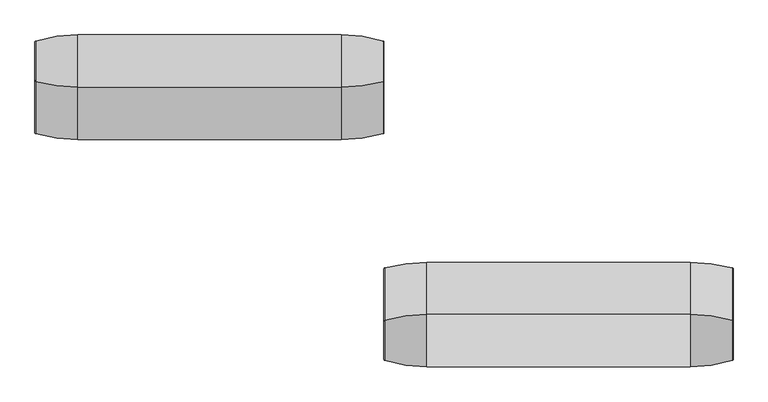
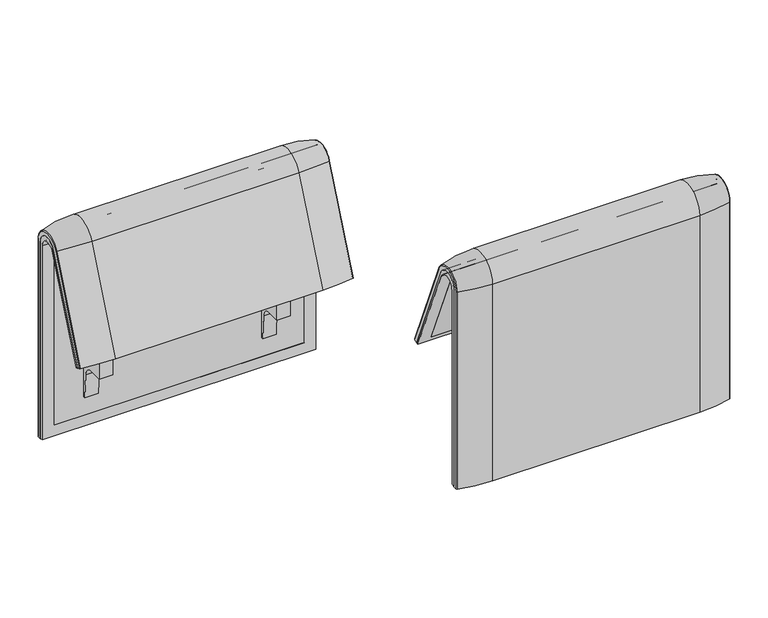
"""IFC4 building model written with IfcOpenShell, lengths in millimetres: furniture geometry."""

from ifc_helpers import new_model, si_unit, point, frame, frame_2d, origin, place, context, project, spatial, polyline, circle_curve, ellipse_curve, trimmed, segment, composite_curve, outline, extrude, source, transform, mapped, element, save
from ifc_brep_helpers import plane_surface, cylinder_surface, revolved_surface, advanced_brep


def furniture_0ea370f8(model_context):
    return source(origin(), model_context, "Body", "SolidModel", [
        advanced_brep(
        [(1224.0215056, -351.0000061, 101.8476716), (1224.0215056, -351.0000061, 712.9272623), (1224.0215056, -296.2720241, 723.9759107), (1224.0215056, -175.0204081, 435.9866665), (1224.0215056, -170.1966807, 437.98305), (1224.0215056, -292.4403877, 733.7122262), (1224.0215056, -359.7858817, 720.3417731), (1224.0215056, -359.7858817, 101.8476716), (408.0402568, -351.0000061, 101.8476716), (408.0402568, -359.7858817, 101.8476716), (408.0402568, -359.7858817, 720.3417731), (408.0402568, -292.4403877, 733.7122262), (408.0402568, -170.1966807, 437.98305), (408.0402568, -175.0204081, 435.9866665), (408.0402568, -296.2458652, 723.9869215), (408.0402568, -351.0000061, 712.9272623), (442.9237127, -292.4403877, 733.7122262), (442.9237127, -176.0980387, 452.25948), (1189.1049615, -176.0980387, 452.25948), (1189.1049615, -292.4403877, 733.7122262), (1189.1049615, -296.2458652, 723.9869215), (1189.1049615, -181.0136548, 450.2250668), (442.9237127, -181.0136548, 450.2250668), (442.9237127, -296.2458652, 723.9869215), (442.9237127, -351.0000061, 712.9272623), (442.9237127, -351.0000061, 135.3766997), (1189.1049615, -351.0000061, 135.3766997), (1189.1049615, -351.0000061, 712.9272623), (1189.1049615, -359.7858817, 720.3417731), (1189.1049615, -359.7858817, 135.3766997), (442.9237127, -359.7858817, 135.3766997), (442.9237127, -359.7858817, 720.3417731)],
        [
            (0, 1),
            (1, 2, circle_curve(frame((1224.0215056, -322.520748, 712.9272623), z_axis=(-1.0, 0.0, 0.0), x_axis=(0.0, 1.0, 0.0)), 28.479258)),
            (2, 3),
            (3, 4),
            (4, 5),
            (5, 6, circle_curve(frame((1224.0215056, -324.7858817, 720.3417731), z_axis=(1.0, 0.0, 0.0), x_axis=(0.0, 1.0, 0.0)), 35.0)),
            (6, 7),
            (7, 0),
            (8, 9),
            (9, 10),
            (10, 11, circle_curve(frame((408.0402568, -324.7858817, 720.3417731), z_axis=(-1.0, 0.0, 0.0), x_axis=(0.0, 1.0, 0.0)), 35.0)),
            (11, 12),
            (12, 13),
            (13, 14),
            (14, 15, circle_curve(frame((408.0402568, -322.520748, 712.9272623), z_axis=(1.0, 0.0, 0.0), x_axis=(0.0, 1.0, 0.0)), 28.479258)),
            (15, 8),
            (4, 12),
            (11, 16),
            (16, 17),
            (17, 18),
            (18, 19),
            (19, 5),
            (3, 13),
            (2, 20),
            (20, 21),
            (21, 22),
            (22, 23),
            (23, 14),
            (0, 8),
            (15, 24),
            (24, 25),
            (25, 26),
            (26, 27),
            (27, 1),
            (7, 9),
            (6, 28),
            (28, 29),
            (29, 30),
            (30, 31),
            (31, 10),
            (19, 28, circle_curve(frame((1189.1049615, -324.7858817, 720.3417731), z_axis=(1.0, 0.0, 0.0), x_axis=(0.0, 1.0, 0.0)), 35.0)),
            (31, 16, circle_curve(frame((442.9237127, -324.7858817, 720.3417731), z_axis=(-1.0, 0.0, 0.0), x_axis=(0.0, 1.0, 0.0)), 35.0)),
            (27, 20, circle_curve(frame((1189.1049615, -322.520748, 712.9272623), z_axis=(-1.0, 0.0, 0.0), x_axis=(0.0, 1.0, 0.0)), 28.479258)),
            (23, 24, circle_curve(frame((442.9237127, -322.520748, 712.9272623), z_axis=(1.0, 0.0, 0.0), x_axis=(0.0, 1.0, 0.0)), 28.479258)),
            (26, 29),
            (18, 21),
            (22, 17),
            (30, 25),
        ],
        [
            plane_surface(frame((1224.0215056, -359.7858817, 101.8476716), z_axis=(1.0, 0.0, 0.0), x_axis=(0.0, -1.0, 0.0))),
            plane_surface(frame((408.0402568, -359.7858817, 101.8476716), z_axis=(-1.0, 0.0, 0.0), x_axis=(0.0, 1.0, 0.0))),
            plane_surface(frame((1224.0215056, -292.4403877, 733.7122262), z_axis=(0.0, 0.9241569717933176, 0.3820129467515535), x_axis=(-1.0, 0.0, 0.0))),
            plane_surface(frame((1224.0215056, -170.1966807, 437.98305), z_axis=(0.0, 0.38241039441983893, -0.9239925812687368), x_axis=(-1.0, 0.0, 0.0))),
            plane_surface(frame((1224.0215056, -175.0204081, 435.9866665), z_axis=(0.0, -0.921678643444566, -0.3879542218073993), x_axis=(-1.0, 0.0, 0.0))),
            plane_surface(frame((1224.0215056, -351.0000061, 712.9272623), z_axis=(0.0, 1.0, 0.0), x_axis=(-1.0, 0.0, 0.0))),
            plane_surface(frame((1224.0215056, -351.0000061, 101.8476716), z_axis=(0.0, 0.0, -1.0), x_axis=(-1.0, 0.0, 0.0))),
            plane_surface(frame((1224.0215056, -359.7858817, 101.8476716), z_axis=(0.0, -1.0, 0.0), x_axis=(-1.0, 0.0, 0.0))),
            cylinder_surface(frame((408.0402568, -324.7858817, 720.3417731), z_axis=(1.0, 0.0, 0.0), x_axis=(0.0, 1.0, 0.0)), 35.0),
            revolved_surface(polyline([(1189.1049615, -294.04149, 712.9272623), (1224.0215056, -294.04149, 712.9272623)]), (408.0402568, -322.520748, 712.9272623), (-1.0, 0.0, 0.0)),
            revolved_surface(polyline([(408.0402568, -294.04149, 712.9272623), (442.9237127, -294.04149, 712.9272623)]), (408.0402568, -322.520748, 712.9272623), (-1.0, 0.0, 0.0)),
            plane_surface(frame((1189.1049615, -359.7858817, 135.3766997), z_axis=(-1.0, 0.0, 0.0), x_axis=(0.0, -1.0, 0.0))),
            plane_surface(frame((442.9237127, -359.7858817, 135.3766997), z_axis=(1.0, 0.0, 0.0), x_axis=(0.0, 1.0, 0.0))),
            plane_surface(frame((1189.1049615, -166.9120641, 456.0612553), z_axis=(0.0, -0.38241039441982605, 0.9239925812687422), x_axis=(-1.0, 0.0, 0.0))),
            plane_surface(frame((1189.1049615, -344.7858817, 135.3766997), z_axis=(0.0, 0.0, 1.0), x_axis=(-1.0, 0.0, 0.0))),
        ],
        [
            (0, [[1, 2, 3, 4, 5, 6, 7, 8]]),
            (1, [[9, 10, 11, 12, 13, 14, 15, 16]]),
            (2, [[17, -12, 18, 19, 20, 21, 22, -5]]),
            (3, [[23, -13, -17, -4]]),
            (4, [[24, 25, 26, 27, 28, -14, -23, -3]]),
            (5, [[29, -16, 30, 31, 32, 33, 34, -1]]),
            (6, [[35, -9, -29, -8]]),
            (7, [[36, 37, 38, 39, 40, -10, -35, -7]]),
            (8, [[-22, 41, -36, -6]]),
            (8, [[-40, 42, -18, -11]]),
            (9, [[-34, 43, -24, -2]]),
            (10, [[-28, 44, -30, -15]]),
            (11, [[-25, -43, -33, 45, -37, -41, -21, 46]]),
            (12, [[-31, -44, -27, 47, -19, -42, -39, 48]]),
            (13, [[-20, -47, -26, -46]]),
            (14, [[-32, -48, -38, -45]]),
        ],
    ),
        advanced_brep(
        [(1189.1049615, -351.0000061, 135.3766997), (1189.1049615, -351.0000061, 712.9272623), (1189.1049615, -296.2720241, 723.9759107), (1189.1049615, -181.0136548, 450.2250668), (1189.1049615, -176.0980387, 452.25948), (1189.1049615, -292.4403877, 733.7122262), (1189.1049615, -359.7858817, 720.3417731), (1189.1049615, -359.7858817, 135.3766997), (442.9237127, -351.0000061, 135.3766997), (442.9237127, -359.7858817, 135.3766997), (442.9237127, -359.7858817, 720.3417731), (442.9237127, -292.4403877, 733.7122262), (442.9237127, -176.0980387, 452.25948), (442.9237127, -181.0136548, 450.2250668), (442.9237127, -296.2458652, 723.9869215), (442.9237127, -351.0000061, 712.9272623)],
        [
            (0, 1),
            (1, 2, circle_curve(frame((1189.1049615, -322.520748, 712.9272623), z_axis=(-1.0, 0.0, 0.0), x_axis=(0.0, 1.0, 0.0)), 28.479258)),
            (2, 3),
            (3, 4),
            (4, 5),
            (5, 6, circle_curve(frame((1189.1049615, -324.7858817, 720.3417731), z_axis=(1.0, 0.0, 0.0), x_axis=(0.0, 1.0, 0.0)), 35.0)),
            (6, 7),
            (7, 0),
            (8, 9),
            (9, 10),
            (10, 11, circle_curve(frame((442.9237127, -324.7858817, 720.3417731), z_axis=(-1.0, 0.0, 0.0), x_axis=(0.0, 1.0, 0.0)), 35.0)),
            (11, 12),
            (12, 13),
            (13, 14),
            (14, 15, circle_curve(frame((442.9237127, -322.520748, 712.9272623), z_axis=(1.0, 0.0, 0.0), x_axis=(0.0, 1.0, 0.0)), 28.479258)),
            (15, 8),
            (4, 12),
            (11, 5),
            (3, 13),
            (2, 14),
            (0, 8),
            (15, 1),
            (7, 9),
            (6, 10),
        ],
        [
            plane_surface(frame((1189.1049615, -359.7858817, 135.3766997), z_axis=(1.0, 0.0, 0.0), x_axis=(0.0, -1.0, 0.0))),
            plane_surface(frame((442.9237127, -359.7858817, 135.3766997), z_axis=(-1.0, 0.0, 0.0), x_axis=(0.0, 1.0, 0.0))),
            plane_surface(frame((1189.1049615, -292.4403877, 733.7122262), z_axis=(0.0, 0.9241569717933176, 0.3820129467515535), x_axis=(-1.0, 0.0, 0.0))),
            plane_surface(frame((1189.1049615, -176.0980387, 452.25948), z_axis=(0.0, 0.38241039441982716, -0.9239925812687417), x_axis=(-1.0, 0.0, 0.0))),
            plane_surface(frame((1189.1049615, -181.0136548, 450.2250668), z_axis=(0.0, -0.921678643444566, -0.3879542218073993), x_axis=(-1.0, 0.0, 0.0))),
            plane_surface(frame((1189.1049615, -351.0000061, 712.9272623), z_axis=(0.0, 1.0, 0.0), x_axis=(-1.0, 0.0, 0.0))),
            plane_surface(frame((1189.1049615, -351.0000061, 135.3766997), z_axis=(0.0, 0.0, -1.0), x_axis=(-1.0, 0.0, 0.0))),
            plane_surface(frame((1189.1049615, -359.7858817, 135.3766997), z_axis=(0.0, -1.0, 0.0), x_axis=(-1.0, 0.0, 0.0))),
            cylinder_surface(frame((442.9237127, -324.7858817, 720.3417731), z_axis=(1.0, 0.0, 0.0), x_axis=(0.0, 1.0, 0.0)), 35.0),
            revolved_surface(polyline([(442.9237127, -294.04149, 712.9272623), (1189.1049615, -294.04149, 712.9272623)]), (442.9237127, -322.520748, 712.9272623), (-1.0, 0.0, 0.0)),
        ],
        [
            (0, [[1, 2, 3, 4, 5, 6, 7, 8]]),
            (1, [[9, 10, 11, 12, 13, 14, 15, 16]]),
            (2, [[17, -12, 18, -5]]),
            (3, [[19, -13, -17, -4]]),
            (4, [[20, -14, -19, -3]]),
            (5, [[21, -16, 22, -1]]),
            (6, [[23, -9, -21, -8]]),
            (7, [[24, -10, -23, -7]]),
            (8, [[-18, -11, -24, -6]]),
            (9, [[-22, -15, -20, -2]]),
        ],
    ),
        extrude(outline(composite_curve([segment(polyline([(-305.0000061, 349.9223263), (-285.0000061, 349.9223263)]), True, "CONTINUOUS"), segment(trimmed(circle_curve(frame_2d((-285.0000061, 359.9223263)), 10.0), [point((-285.0000061, 349.9223263))], [point((-275.0000061, 359.9223263))], True, "CARTESIAN"), True, "CONTINUOUS"), segment(polyline([(-275.0000061, 359.9223263), (-270.0000061, 359.9223263), (-270.0000061, 299.9223263), (-309.4476, 299.9223263)]), True, "CONTINUOUS"), segment(trimmed(circle_curve(frame_2d((-309.4476, 269.9223263)), 30.0), [point((-309.4476, 299.9223263))], [point((-339.4064861, 271.492405))], True, "CARTESIAN"), True, "CONTINUOUS"), segment(polyline([(-339.4064861, 271.492405), (-343.3075759, 197.0551771), (-351.0000061, 197.0551771), (-351.0000061, 712.9272623)]), True, "CONTINUOUS"), segment(trimmed(circle_curve(frame_2d((-322.520748, 712.9272623)), 28.479258), [point((-351.0000061, 712.9272623))], [point((-296.3054528, 724.0549949))], False, "CARTESIAN"), True, "CONTINUOUS"), segment(polyline([(-296.3054528, 724.0549949), (-213.7507451, 529.5682915), (-222.2725218, 526.5505721), (-238.0355877, 560.3545758)]), True, "CONTINUOUS"), segment(trimmed(circle_curve(frame_2d((-251.6302045, 554.0153019)), 15.0), [point((-238.0355877, 560.3545758))], [point((-257.4911714, 567.8228747))], True, "CARTESIAN"), True, "CONTINUOUS"), segment(polyline([(-257.4911714, 567.8228747), (-316.7219399, 542.6809051)]), True, "CONTINUOUS"), segment(trimmed(circle_curve(frame_2d((-305.0000061, 515.0657595)), 30.0), [point((-316.7219399, 542.6809051))], [point((-335.0000061, 515.0657595))], True, "CARTESIAN"), True, "CONTINUOUS"), segment(polyline([(-335.0000061, 515.0657595), (-335.0000061, 379.9223263)]), True, "CONTINUOUS"), segment(trimmed(circle_curve(frame_2d((-305.0000061, 379.9223263)), 30.0), [point((-335.0000061, 379.9223263))], [point((-305.0000061, 349.9223263))], True, "CARTESIAN"), True, "CONTINUOUS")], self_intersect=False), holes=[composite_curve([segment(trimmed(circle_curve(frame_2d((-319.9867182, 576.3274105)), 17.5132879), [point((-337.5000061, 576.3274105))], [point((-314.1406626, 559.8186587))], True, "CARTESIAN"), True, "CONTINUOUS"), segment(polyline([(-314.1406626, 559.8186587), (-265.0756376, 577.1934953)]), True, "CONTINUOUS"), segment(trimmed(circle_curve(frame_2d((-271.7517748, 596.0463251)), 20.0), [point((-265.0756376, 577.1934953))], [point((-253.6256191, 604.4986904))], True, "CARTESIAN"), True, "CONTINUOUS"), segment(polyline([(-253.6256191, 604.4986904), (-308.9053893, 723.0465402)]), True, "CONTINUOUS"), segment(trimmed(circle_curve(frame_2d((-322.5000061, 716.7072663)), 15.0), [point((-308.9053893, 723.0465402))], [point((-337.5000061, 716.7072663))], True, "CARTESIAN"), True, "CONTINUOUS"), segment(polyline([(-337.5000061, 716.7072663), (-337.5000061, 576.3274105)]), True, "CONTINUOUS")], self_intersect=False)]), frame((1061.0091339, 0.0, 0.0), z_axis=(1.0, 0.0, 0.0), x_axis=(0.0, 1.0, 0.0)), (0.0, 0.0, 1.0), 40.0),
        advanced_brep(
        [(1124.0215056, -388.2902376, 100.5089435), (508.0071685, -388.2902376, 100.5089435), (410.1457971, -373.93893, 100.5089435), (408.0071685, -371.0652495, 100.5089435), (408.0071685, -359.7858817, 100.5089435), (1224.0215056, -359.7858817, 100.5089435), (1224.0215056, -371.0652495, 100.5089435), (1221.8828771, -373.93893, 100.5089435), (1124.0215056, -388.2902376, 720.3417731), (508.0071685, -388.2902376, 720.3417731), (1221.8828771, -373.93893, 720.3417731), (1224.0215056, -371.0652495, 720.3417731), (1224.0215056, -359.7858817, 720.3417731), (1224.0215056, -292.4403877, 733.7122262), (1224.0215056, -170.1962447, 437.9819952), (1224.0215056, -159.7723383, 442.2908598), (1224.0215056, -282.0164812, 738.0210907), (408.0071685, -359.7858817, 720.3417731), (1124.0215056, -143.8537454, 448.8710282), (1221.8828771, -157.1166065, 443.3886429), (408.0071685, -170.1962447, 437.9819952), (408.0071685, -159.7723383, 442.2908598), (410.1457971, -157.1166065, 443.3886429), (508.0071685, -143.8537454, 448.8710282), (1124.0215056, -266.0978884, 744.6012592), (508.0071685, -266.0978884, 744.6012592), (1221.8828771, -279.3607494, 739.1188739), (408.0071685, -292.4403877, 733.7122262), (408.0071685, -371.0652495, 720.3417731), (408.0071685, -282.0164812, 738.0210907), (410.1457971, -373.93893, 720.3417731), (410.1457971, -279.3607494, 739.1188739)],
        [
            (0, 1),
            (1, 2, circle_curve(frame((508.0071685, -47.4569043, 100.5089435), z_axis=(0.0, 0.0, -1.0), x_axis=(0.0, 1.0, 0.0)), 340.8333333)),
            (2, 3, circle_curve(frame((411.0071685, -371.0652495, 100.5089435), z_axis=(0.0, 0.0, -1.0), x_axis=(-1.0, 0.0, 0.0)), 3.0)),
            (3, 4),
            (4, 5),
            (5, 6),
            (6, 7, circle_curve(frame((1221.0215056, -371.0652495, 100.5089435), z_axis=(0.0, 0.0, -1.0), x_axis=(1.0, 0.0, 0.0)), 3.0)),
            (7, 0, circle_curve(frame((1124.0215056, -47.4569043, 100.5089435), z_axis=(0.0, 0.0, -1.0), x_axis=(0.0, 1.0, 0.0)), 340.8333333)),
            (0, 8),
            (8, 9),
            (9, 1),
            (7, 10),
            (10, 8, circle_curve(frame((1124.0215056, -47.4569043, 720.3417731), z_axis=(0.0, 0.0, -1.0), x_axis=(0.0, 1.0, 0.0)), 340.8333333)),
            (6, 11),
            (11, 10, circle_curve(frame((1221.0215056, -371.0652495, 720.3417731), z_axis=(0.0, 0.0, -1.0), x_axis=(1.0, 0.0, 0.0)), 3.0)),
            (5, 12),
            (12, 13, circle_curve(frame((1224.0215056, -324.7858817, 720.3417731), z_axis=(-1.0, 0.0, 0.0), x_axis=(0.0, -1.0, 0.0)), 35.0)),
            (13, 14),
            (14, 15),
            (15, 16),
            (16, 11, circle_curve(frame((1224.0215056, -324.7858817, 720.3417731), z_axis=(1.0, 0.0, 0.0), x_axis=(0.0, -1.0, 0.0)), 46.2793679)),
            (4, 17),
            (17, 12),
            (18, 19, circle_curve(frame((1124.0215056, -458.8372467, 318.6682822), z_axis=(0.0, 0.38201294675155345, -0.9241569717933176), x_axis=(0.0, -0.9241569717933176, -0.38201294675155345)), 340.8333333)),
            (19, 15, circle_curve(frame((1221.0215056, -159.7723383, 442.2908598), z_axis=(0.0, 0.38201294675155345, -0.9241569717933176), x_axis=(1.0, 0.0, 0.0)), 3.0)),
            (14, 20),
            (20, 21),
            (21, 22, circle_curve(frame((411.0071685, -159.7723383, 442.2908598), z_axis=(0.0, 0.38201294675155345, -0.9241569717933176), x_axis=(-1.0, 0.0, 0.0)), 3.0)),
            (22, 23, circle_curve(frame((508.0071685, -458.8372467, 318.6682822), z_axis=(0.0, 0.38201294675155345, -0.9241569717933176), x_axis=(0.0, -0.9241569717933176, -0.38201294675155345)), 340.8333333)),
            (23, 18),
            (24, 25),
            (25, 9, circle_curve(frame((508.0071685, -324.7858817, 720.3417731), z_axis=(1.0, 0.0, 0.0), x_axis=(0.0, -1.0, 0.0)), 63.5043559)),
            (8, 24, circle_curve(frame((1124.0215056, -324.7858817, 720.3417731), z_axis=(-1.0, 0.0, 0.0), x_axis=(0.0, -1.0, 0.0)), 63.5043559)),
            (26, 24, circle_curve(frame((1124.0215056, -581.0813896, 614.3985132), z_axis=(0.0, -0.3820129467515544, 0.9241569717933172), x_axis=(0.0, -0.9241569717933172, -0.3820129467515544)), 340.8333333)),
            (10, 26, circle_curve(frame((1221.8828771, -324.7858817, 720.3417731), z_axis=(-1.0, 0.0, 0.0), x_axis=(0.0, -1.0, 0.0)), 49.1530483)),
            (16, 26, circle_curve(frame((1221.0215056, -282.0164812, 738.0210907), z_axis=(0.0, -0.38201294675155356, 0.9241569717933176), x_axis=(1.0, 0.0, 0.0)), 3.0)),
            (27, 13),
            (17, 27, circle_curve(frame((408.0071685, -324.7858817, 720.3417731), z_axis=(-1.0, 0.0, 0.0), x_axis=(0.0, -1.0, 0.0)), 35.0)),
            (24, 18),
            (23, 25),
            (26, 19),
            (27, 20),
            (3, 28),
            (28, 29, circle_curve(frame((408.0071685, -324.7858817, 720.3417731), z_axis=(-1.0, 0.0, 0.0), x_axis=(0.0, -1.0, 0.0)), 46.2793679)),
            (29, 21),
            (2, 30),
            (30, 28, circle_curve(frame((411.0071685, -371.0652495, 720.3417731), z_axis=(0.0, 0.0, -1.0), x_axis=(-1.0, 0.0, 0.0)), 3.0)),
            (9, 30, circle_curve(frame((508.0071685, -47.4569043, 720.3417731), z_axis=(0.0, 0.0, -1.0), x_axis=(0.0, 1.0, 0.0)), 340.8333333)),
            (31, 29, circle_curve(frame((411.0071685, -282.0164812, 738.0210907), z_axis=(0.0, -0.3820129467515556, 0.9241569717933167), x_axis=(-1.0, 0.0, 0.0)), 3.0)),
            (30, 31, circle_curve(frame((410.1457971, -324.7858817, 720.3417731), z_axis=(-1.0, 0.0, 0.0), x_axis=(0.0, -1.0, 0.0)), 49.1530483)),
            (25, 31, circle_curve(frame((508.0071685, -581.0813896, 614.3985132), z_axis=(0.0, -0.382012946751556, 0.9241569717933165), x_axis=(0.0, -0.9241569717933165, -0.382012946751556)), 340.8333333)),
            (31, 22),
        ],
        [
            plane_surface(frame((820.7793603, -359.7858817, 100.5089435), z_axis=(0.0, 0.0, -1.0), x_axis=(1.0, 0.0, 0.0))),
            plane_surface(frame((508.0071685, -388.2902376, 100.5089435), z_axis=(0.0, -1.0, 0.0), x_axis=(0.0, 0.0, 1.0))),
            cylinder_surface(frame((1124.0215056, -47.4569043, 100.5089435), z_axis=(0.0, 0.0, -1.0), x_axis=(0.0, 1.0, 0.0)), 340.8333333),
            cylinder_surface(frame((1221.0215056, -371.0652495, 100.5089435), z_axis=(0.0, 0.0, -1.0), x_axis=(1.0, 0.0, 0.0)), 3.0),
            plane_surface(frame((1224.0215056, -371.0652495, 100.5089435), z_axis=(1.0, 0.0, 0.0), x_axis=(0.0, 0.0, 1.0))),
            plane_surface(frame((1224.0215056, -359.7858817, 100.5089435), z_axis=(0.0, 1.0, 0.0), x_axis=(0.0, 0.0, 1.0))),
            plane_surface(frame((820.7793603, -170.1962447, 437.9819952), z_axis=(0.0, 0.38201294675155345, -0.9241569717933176), x_axis=(1.0, 0.0, 0.0))),
            cylinder_surface(frame((820.7793603, -324.7858817, 720.3417731), z_axis=(1.0, 0.0, 0.0), x_axis=(0.0, -1.0, 0.0)), 63.5043559),
            revolved_surface(trimmed(ellipse_curve(frame((1124.0215056, -47.4569043, 720.3417731), z_axis=(0.0, 0.0, 1.0), x_axis=(0.0, 1.0, 0.0)), 340.8333333, 340.8333333), [point((1124.0215056, -388.2902376, 720.3417731))], [point((1221.8828771, -373.93893, 720.3417731))], True, "CARTESIAN"), (820.7793603, -324.7858817, 720.3417731), (1.0, 0.0, 0.0)),
            revolved_surface(trimmed(ellipse_curve(frame((1221.0215056, -371.0652495, 720.3417731), z_axis=(0.0, 0.0, 1.0), x_axis=(1.0, 0.0, 0.0)), 3.0, 3.0), [point((1221.8828771, -373.93893, 720.3417731))], [point((1224.0215056, -371.0652495, 720.3417731))], True, "CARTESIAN"), (820.7793603, -324.7858817, 720.3417731), (1.0, 0.0, 0.0)),
            revolved_surface(polyline([(1224.0215056, -359.7858817, 720.3417731), (408.0071685, -359.7858817, 720.3417731)]), (820.7793603, -324.7858817, 720.3417731), (1.0, 0.0, 0.0)),
            plane_surface(frame((508.0071685, -266.0978884, 744.6012592), z_axis=(0.0, 0.9241569717933176, 0.38201294675155356), x_axis=(0.0, 0.38201294675155356, -0.9241569717933176))),
            cylinder_surface(frame((1124.0215056, -581.0813896, 614.3985132), z_axis=(0.0, -0.38201294675155345, 0.9241569717933176), x_axis=(0.0, -0.9241569717933176, -0.38201294675155345)), 340.8333333),
            cylinder_surface(frame((1221.0215056, -282.0164812, 738.0210907), z_axis=(0.0, -0.38201294675155345, 0.9241569717933176), x_axis=(1.0, 0.0, 0.0)), 3.0),
            plane_surface(frame((1224.0215056, -292.4403877, 733.7122262), z_axis=(0.0, -0.9241569717933176, -0.38201294675155356), x_axis=(0.0, 0.38201294675155356, -0.9241569717933176))),
            plane_surface(frame((408.0071685, -359.7858817, 100.5089435), z_axis=(-1.0, 0.0, 0.0), x_axis=(0.0, 0.0, 1.0))),
            cylinder_surface(frame((411.0071685, -371.0652495, 100.5089435), z_axis=(0.0, 0.0, -1.0), x_axis=(-1.0, 0.0, 0.0)), 3.0),
            cylinder_surface(frame((508.0071685, -47.4569043, 100.5089435), z_axis=(0.0, 0.0, -1.0), x_axis=(0.0, 1.0, 0.0)), 340.8333333),
            revolved_surface(trimmed(ellipse_curve(frame((411.0071685, -371.0652495, 720.3417731), z_axis=(0.0, 0.0, 1.0), x_axis=(-1.0, 0.0, 0.0)), 3.0, 3.0), [point((408.0071685, -371.0652495, 720.3417731))], [point((410.1457971, -373.93893, 720.3417731))], True, "CARTESIAN"), (820.7793603, -324.7858817, 720.3417731), (1.0, 0.0, 0.0)),
            revolved_surface(trimmed(ellipse_curve(frame((508.0071685, -47.4569043, 720.3417731), z_axis=(0.0, 0.0, 1.0), x_axis=(0.0, 1.0, 0.0)), 340.8333333, 340.8333333), [point((410.1457971, -373.93893, 720.3417731))], [point((508.0071685, -388.2902376, 720.3417731))], True, "CARTESIAN"), (820.7793603, -324.7858817, 720.3417731), (1.0, 0.0, 0.0)),
            cylinder_surface(frame((411.0071685, -282.0164812, 738.0210907), z_axis=(0.0, -0.38201294675155345, 0.9241569717933176), x_axis=(-1.0, 0.0, 0.0)), 3.0),
            cylinder_surface(frame((508.0071685, -581.0813896, 614.3985132), z_axis=(0.0, -0.38201294675155345, 0.9241569717933176), x_axis=(0.0, -0.9241569717933176, -0.38201294675155345)), 340.8333333),
        ],
        [
            (0, [[1, 2, 3, 4, 5, 6, 7, 8]]),
            (1, [[9, 10, 11, -1]]),
            (2, [[12, 13, -9, -8]]),
            (3, [[14, 15, -12, -7]]),
            (4, [[16, 17, 18, 19, 20, 21, -14, -6]]),
            (5, [[22, 23, -16, -5]]),
            (6, [[24, 25, -19, 26, 27, 28, 29, 30]]),
            (7, [[31, 32, -10, 33]]),
            (8, [[34, -33, -13, 35]]),
            (9, [[36, -35, -15, -21]]),
            (10, [[37, -17, -23, 38]]),
            (11, [[39, -30, 40, -31]]),
            (12, [[41, -24, -39, -34]]),
            (13, [[-20, -25, -41, -36]]),
            (14, [[42, -26, -18, -37]]),
            (15, [[43, 44, 45, -27, -42, -38, -22, -4]]),
            (16, [[46, 47, -43, -3]]),
            (17, [[-11, 48, -46, -2]]),
            (18, [[49, -44, -47, 50]]),
            (19, [[51, -50, -48, -32]]),
            (20, [[52, -28, -45, -49]]),
            (21, [[-40, -29, -52, -51]]),
        ],
    ),
        extrude(outline(composite_curve([segment(polyline([(-305.0000061, 349.9223263), (-285.0000061, 349.9223263)]), True, "CONTINUOUS"), segment(trimmed(circle_curve(frame_2d((-285.0000061, 359.9223263)), 10.0), [point((-285.0000061, 349.9223263))], [point((-275.0000061, 359.9223263))], True, "CARTESIAN"), True, "CONTINUOUS"), segment(polyline([(-275.0000061, 359.9223263), (-270.0000061, 359.9223263), (-270.0000061, 299.9223263), (-309.4476, 299.9223263)]), True, "CONTINUOUS"), segment(trimmed(circle_curve(frame_2d((-309.4476, 269.9223263)), 30.0), [point((-309.4476, 299.9223263))], [point((-339.4064861, 271.492405))], True, "CARTESIAN"), True, "CONTINUOUS"), segment(polyline([(-339.4064861, 271.492405), (-343.3075759, 197.0551771), (-351.0000061, 197.0551771), (-351.0000061, 712.9272623)]), True, "CONTINUOUS"), segment(trimmed(circle_curve(frame_2d((-322.520748, 712.9272623)), 28.479258), [point((-351.0000061, 712.9272623))], [point((-296.3054528, 724.0549949))], False, "CARTESIAN"), True, "CONTINUOUS"), segment(polyline([(-296.3054528, 724.0549949), (-213.7507451, 529.5682915), (-222.2725218, 526.5505721), (-238.0355877, 560.3545758)]), True, "CONTINUOUS"), segment(trimmed(circle_curve(frame_2d((-251.6302045, 554.0153019)), 15.0), [point((-238.0355877, 560.3545758))], [point((-257.4911714, 567.8228747))], True, "CARTESIAN"), True, "CONTINUOUS"), segment(polyline([(-257.4911714, 567.8228747), (-316.7219399, 542.6809051)]), True, "CONTINUOUS"), segment(trimmed(circle_curve(frame_2d((-305.0000061, 515.0657595)), 30.0), [point((-316.7219399, 542.6809051))], [point((-335.0000061, 515.0657595))], True, "CARTESIAN"), True, "CONTINUOUS"), segment(polyline([(-335.0000061, 515.0657595), (-335.0000061, 379.9223263)]), True, "CONTINUOUS"), segment(trimmed(circle_curve(frame_2d((-305.0000061, 379.9223263)), 30.0), [point((-335.0000061, 379.9223263))], [point((-305.0000061, 349.9223263))], True, "CARTESIAN"), True, "CONTINUOUS")], self_intersect=False), holes=[composite_curve([segment(trimmed(circle_curve(frame_2d((-319.9867182, 576.3274105)), 17.5132879), [point((-337.5000061, 576.3274105))], [point((-314.1406626, 559.8186587))], True, "CARTESIAN"), True, "CONTINUOUS"), segment(polyline([(-314.1406626, 559.8186587), (-265.0756376, 577.1934953)]), True, "CONTINUOUS"), segment(trimmed(circle_curve(frame_2d((-271.7517748, 596.0463251)), 20.0), [point((-265.0756376, 577.1934953))], [point((-253.6256191, 604.4986904))], True, "CARTESIAN"), True, "CONTINUOUS"), segment(polyline([(-253.6256191, 604.4986904), (-308.9053893, 723.0465402)]), True, "CONTINUOUS"), segment(trimmed(circle_curve(frame_2d((-322.5000061, 716.7072663)), 15.0), [point((-308.9053893, 723.0465402))], [point((-337.5000061, 716.7072663))], True, "CARTESIAN"), True, "CONTINUOUS"), segment(polyline([(-337.5000061, 716.7072663), (-337.5000061, 576.3274105)]), True, "CONTINUOUS")], self_intersect=False)]), frame((531.0195403, 0.0, 0.0), z_axis=(1.0, 0.0, 0.0), x_axis=(0.0, 1.0, 0.0)), (0.0, 0.0, 1.0), 40.0),
        advanced_brep(
        [(408.0071685, 351.0000061, 101.8476716), (408.0071685, 359.7858817, 101.8476716), (408.0071685, 359.7858817, 720.3417731), (408.0071685, 292.4403877, 733.7122262), (408.0071685, 170.1966807, 437.98305), (408.0071685, 175.0204081, 435.9866665), (408.0071685, 296.2458652, 723.9869215), (408.0071685, 351.0000061, 712.9272623), (-407.9740803, 351.0000061, 101.8476716), (-407.9740803, 351.0000061, 712.9272623), (-407.9740803, 296.2720241, 723.9759107), (-407.9740803, 175.0204081, 435.9866665), (-407.9740803, 170.1966807, 437.98305), (-407.9740803, 292.4403877, 733.7122262), (-407.9740803, 359.7858817, 720.3417731), (-407.9740803, 359.7858817, 101.8476716), (373.0906244, 292.4403877, 733.7122262), (373.0906244, 176.0980387, 452.25948), (-373.0906244, 176.0980387, 452.25948), (-373.0906244, 292.4403877, 733.7122262), (-373.0906244, 296.2458652, 723.9869215), (-373.0906244, 181.0136548, 450.2250668), (373.0906244, 181.0136548, 450.2250668), (373.0906244, 296.2458652, 723.9869215), (373.0906244, 351.0000061, 712.9272623), (373.0906244, 351.0000061, 135.3766997), (-373.0906244, 351.0000061, 135.3766997), (-373.0906244, 351.0000061, 712.9272623), (-373.0906244, 359.7858817, 720.3417731), (-373.0906244, 359.7858817, 135.3766997), (373.0906244, 359.7858817, 135.3766997), (373.0906244, 359.7858817, 720.3417731)],
        [
            (0, 1),
            (1, 2),
            (2, 3, circle_curve(frame((408.0071685, 324.7858817, 720.3417731), z_axis=(1.0, 0.0, 0.0), x_axis=(0.0, -1.0, 0.0)), 35.0)),
            (3, 4),
            (4, 5),
            (5, 6),
            (6, 7, circle_curve(frame((408.0071685, 322.520748, 712.9272623), z_axis=(-1.0, 0.0, 0.0), x_axis=(0.0, -1.0, 0.0)), 28.479258)),
            (7, 0),
            (8, 9),
            (9, 10, circle_curve(frame((-407.9740803, 322.520748, 712.9272623), z_axis=(1.0, 0.0, 0.0), x_axis=(0.0, -1.0, 0.0)), 28.479258)),
            (10, 11),
            (11, 12),
            (12, 13),
            (13, 14, circle_curve(frame((-407.9740803, 324.7858817, 720.3417731), z_axis=(-1.0, 0.0, 0.0), x_axis=(0.0, -1.0, 0.0)), 35.0)),
            (14, 15),
            (15, 8),
            (3, 16),
            (16, 17),
            (17, 18),
            (18, 19),
            (19, 13),
            (12, 4),
            (11, 5),
            (10, 20),
            (20, 21),
            (21, 22),
            (22, 23),
            (23, 6),
            (7, 24),
            (24, 25),
            (25, 26),
            (26, 27),
            (27, 9),
            (8, 0),
            (15, 1),
            (14, 28),
            (28, 29),
            (29, 30),
            (30, 31),
            (31, 2),
            (31, 16, circle_curve(frame((373.0906244, 324.7858817, 720.3417731), z_axis=(1.0, 0.0, 0.0), x_axis=(0.0, -1.0, 0.0)), 35.0)),
            (19, 28, circle_curve(frame((-373.0906244, 324.7858817, 720.3417731), z_axis=(-1.0, 0.0, 0.0), x_axis=(0.0, -1.0, 0.0)), 35.0)),
            (23, 24, circle_curve(frame((373.0906244, 322.520748, 712.9272623), z_axis=(-1.0, 0.0, 0.0), x_axis=(0.0, -1.0, 0.0)), 28.479258)),
            (27, 20, circle_curve(frame((-373.0906244, 322.520748, 712.9272623), z_axis=(1.0, 0.0, 0.0), x_axis=(0.0, -1.0, 0.0)), 28.479258)),
            (22, 17),
            (30, 25),
            (26, 29),
            (18, 21),
        ],
        [
            plane_surface(frame((408.0071685, 359.7858817, 101.8476716), z_axis=(1.0, 0.0, 0.0), x_axis=(0.0, 1.0, 0.0))),
            plane_surface(frame((-407.9740803, 359.7858817, 101.8476716), z_axis=(-1.0, 0.0, 0.0), x_axis=(0.0, -1.0, 0.0))),
            plane_surface(frame((408.0071685, 292.4403877, 733.7122262), z_axis=(0.0, -0.9241569717933176, 0.3820129467515535), x_axis=(-1.0, 0.0, 0.0))),
            plane_surface(frame((408.0071685, 170.1966807, 437.98305), z_axis=(0.0, -0.38241039441983893, -0.9239925812687368), x_axis=(-1.0, 0.0, 0.0))),
            plane_surface(frame((408.0071685, 175.0204081, 435.9866665), z_axis=(0.0, 0.921678643444566, -0.3879542218073993), x_axis=(-1.0, 0.0, 0.0))),
            plane_surface(frame((408.0071685, 351.0000061, 712.9272623), z_axis=(0.0, -1.0, 0.0), x_axis=(-1.0, 0.0, 0.0))),
            plane_surface(frame((408.0071685, 351.0000061, 101.8476716), z_axis=(0.0, 0.0, -1.0), x_axis=(-1.0, 0.0, 0.0))),
            plane_surface(frame((408.0071685, 359.7858817, 101.8476716), z_axis=(0.0, 1.0, 0.0), x_axis=(-1.0, 0.0, 0.0))),
            cylinder_surface(frame((-407.9740803, 324.7858817, 720.3417731), z_axis=(1.0, 0.0, 0.0), x_axis=(0.0, -1.0, 0.0)), 35.0),
            revolved_surface(polyline([(373.09062439999997, 294.04149, 712.9272623), (408.0071685, 294.04149, 712.9272623)]), (-407.9740803, 322.520748, 712.9272623), (-1.0, 0.0, 0.0)),
            revolved_surface(polyline([(-407.9740803, 294.04149, 712.9272623), (-373.0906244, 294.04149, 712.9272623)]), (-407.9740803, 322.520748, 712.9272623), (-1.0, 0.0, 0.0)),
            plane_surface(frame((373.0906244, 359.7858817, 135.3766997), z_axis=(-1.0, 0.0, 0.0), x_axis=(0.0, 1.0, 0.0))),
            plane_surface(frame((-373.0906244, 359.7858817, 135.3766997), z_axis=(1.0, 0.0, 0.0), x_axis=(0.0, -1.0, 0.0))),
            plane_surface(frame((373.0906244, 166.9120641, 456.0612553), z_axis=(0.0, 0.38241039441982605, 0.9239925812687422), x_axis=(-1.0, 0.0, 0.0))),
            plane_surface(frame((373.0906244, 344.7858817, 135.3766997), z_axis=(0.0, 0.0, 1.0), x_axis=(-1.0, 0.0, 0.0))),
        ],
        [
            (0, [[1, 2, 3, 4, 5, 6, 7, 8]]),
            (1, [[9, 10, 11, 12, 13, 14, 15, 16]]),
            (2, [[-4, 17, 18, 19, 20, 21, -13, 22]]),
            (3, [[-5, -22, -12, 23]]),
            (4, [[-6, -23, -11, 24, 25, 26, 27, 28]]),
            (5, [[-8, 29, 30, 31, 32, 33, -9, 34]]),
            (6, [[-1, -34, -16, 35]]),
            (7, [[-2, -35, -15, 36, 37, 38, 39, 40]]),
            (8, [[-3, -40, 41, -17]]),
            (8, [[-14, -21, 42, -36]]),
            (9, [[-7, -28, 43, -29]]),
            (10, [[-10, -33, 44, -24]]),
            (11, [[45, -18, -41, -39, 46, -30, -43, -27]]),
            (12, [[47, -37, -42, -20, 48, -25, -44, -32]]),
            (13, [[-45, -26, -48, -19]]),
            (14, [[-46, -38, -47, -31]]),
        ],
    ),
        advanced_brep(
        [(373.0906244, 351.0000061, 135.3766997), (373.0906244, 359.7858817, 135.3766997), (373.0906244, 359.7858817, 720.3417731), (373.0906244, 292.4403877, 733.7122262), (373.0906244, 176.0980387, 452.25948), (373.0906244, 181.0136548, 450.2250668), (373.0906244, 296.2458652, 723.9869215), (373.0906244, 351.0000061, 712.9272623), (-373.0906244, 351.0000061, 135.3766997), (-373.0906244, 351.0000061, 712.9272623), (-373.0906244, 296.2720241, 723.9759107), (-373.0906244, 181.0136548, 450.2250668), (-373.0906244, 176.0980387, 452.25948), (-373.0906244, 292.4403877, 733.7122262), (-373.0906244, 359.7858817, 720.3417731), (-373.0906244, 359.7858817, 135.3766997)],
        [
            (0, 1),
            (1, 2),
            (2, 3, circle_curve(frame((373.0906244, 324.7858817, 720.3417731), z_axis=(1.0, 0.0, 0.0), x_axis=(0.0, -1.0, 0.0)), 35.0)),
            (3, 4),
            (4, 5),
            (5, 6),
            (6, 7, circle_curve(frame((373.0906244, 322.520748, 712.9272623), z_axis=(-1.0, 0.0, 0.0), x_axis=(0.0, -1.0, 0.0)), 28.479258)),
            (7, 0),
            (8, 9),
            (9, 10, circle_curve(frame((-373.0906244, 322.520748, 712.9272623), z_axis=(1.0, 0.0, 0.0), x_axis=(0.0, -1.0, 0.0)), 28.479258)),
            (10, 11),
            (11, 12),
            (12, 13),
            (13, 14, circle_curve(frame((-373.0906244, 324.7858817, 720.3417731), z_axis=(-1.0, 0.0, 0.0), x_axis=(0.0, -1.0, 0.0)), 35.0)),
            (14, 15),
            (15, 8),
            (3, 13),
            (12, 4),
            (11, 5),
            (10, 6),
            (7, 9),
            (8, 0),
            (15, 1),
            (14, 2),
        ],
        [
            plane_surface(frame((373.0906244, 359.7858817, 135.3766997), z_axis=(1.0, 0.0, 0.0), x_axis=(0.0, 1.0, 0.0))),
            plane_surface(frame((-373.0906244, 359.7858817, 135.3766997), z_axis=(-1.0, 0.0, 0.0), x_axis=(0.0, -1.0, 0.0))),
            plane_surface(frame((373.0906244, 292.4403877, 733.7122262), z_axis=(0.0, -0.9241569717933176, 0.3820129467515535), x_axis=(-1.0, 0.0, 0.0))),
            plane_surface(frame((373.0906244, 176.0980387, 452.25948), z_axis=(0.0, -0.38241039441982716, -0.9239925812687417), x_axis=(-1.0, 0.0, 0.0))),
            plane_surface(frame((373.0906244, 181.0136548, 450.2250668), z_axis=(0.0, 0.921678643444566, -0.3879542218073993), x_axis=(-1.0, 0.0, 0.0))),
            plane_surface(frame((373.0906244, 351.0000061, 712.9272623), z_axis=(0.0, -1.0, 0.0), x_axis=(-1.0, 0.0, 0.0))),
            plane_surface(frame((373.0906244, 351.0000061, 135.3766997), z_axis=(0.0, 0.0, -1.0), x_axis=(-1.0, 0.0, 0.0))),
            plane_surface(frame((373.0906244, 359.7858817, 135.3766997), z_axis=(0.0, 1.0, 0.0), x_axis=(-1.0, 0.0, 0.0))),
            cylinder_surface(frame((-373.0906244, 324.7858817, 720.3417731), z_axis=(1.0, 0.0, 0.0), x_axis=(0.0, -1.0, 0.0)), 35.0),
            revolved_surface(polyline([(-373.0906244, 294.04149, 712.9272623), (373.0906244, 294.04149, 712.9272623)]), (-373.0906244, 322.520748, 712.9272623), (-1.0, 0.0, 0.0)),
        ],
        [
            (0, [[1, 2, 3, 4, 5, 6, 7, 8]]),
            (1, [[9, 10, 11, 12, 13, 14, 15, 16]]),
            (2, [[-4, 17, -13, 18]]),
            (3, [[-5, -18, -12, 19]]),
            (4, [[-6, -19, -11, 20]]),
            (5, [[-8, 21, -9, 22]]),
            (6, [[-1, -22, -16, 23]]),
            (7, [[-2, -23, -15, 24]]),
            (8, [[-3, -24, -14, -17]]),
            (9, [[-7, -20, -10, -21]]),
        ],
    ),
        extrude(outline(composite_curve([segment(trimmed(circle_curve(frame_2d((305.0000061, 379.9223263)), 30.0), [point((305.0000061, 349.9223263))], [point((335.0000061, 379.9223263))], True, "CARTESIAN"), True, "CONTINUOUS"), segment(polyline([(335.0000061, 379.9223263), (335.0000061, 515.0657595)]), True, "CONTINUOUS"), segment(trimmed(circle_curve(frame_2d((305.0000061, 515.0657595)), 30.0), [point((335.0000061, 515.0657595))], [point((316.7219399, 542.6809051))], True, "CARTESIAN"), True, "CONTINUOUS"), segment(polyline([(316.7219399, 542.6809051), (257.4911714, 567.8228747)]), True, "CONTINUOUS"), segment(trimmed(circle_curve(frame_2d((251.6302045, 554.0153019)), 15.0), [point((257.4911714, 567.8228747))], [point((238.0355877, 560.3545758))], True, "CARTESIAN"), True, "CONTINUOUS"), segment(polyline([(238.0355877, 560.3545758), (222.2725218, 526.5505721), (213.7507451, 529.5682915), (296.3054528, 724.0549949)]), True, "CONTINUOUS"), segment(trimmed(circle_curve(frame_2d((322.520748, 712.9272623)), 28.479258), [point((296.3054528, 724.0549949))], [point((351.0000061, 712.9272623))], False, "CARTESIAN"), True, "CONTINUOUS"), segment(polyline([(351.0000061, 712.9272623), (351.0000061, 197.0551771), (343.3075759, 197.0551771), (339.4064861, 271.492405)]), True, "CONTINUOUS"), segment(trimmed(circle_curve(frame_2d((309.4476, 269.9223263)), 30.0), [point((339.4064861, 271.492405))], [point((309.4476, 299.9223263))], True, "CARTESIAN"), True, "CONTINUOUS"), segment(polyline([(309.4476, 299.9223263), (270.0000061, 299.9223263), (270.0000061, 359.9223263), (275.0000061, 359.9223263)]), True, "CONTINUOUS"), segment(trimmed(circle_curve(frame_2d((285.0000061, 359.9223263)), 10.0), [point((275.0000061, 359.9223263))], [point((285.0000061, 349.9223263))], True, "CARTESIAN"), True, "CONTINUOUS"), segment(polyline([(285.0000061, 349.9223263), (305.0000061, 349.9223263)]), True, "CONTINUOUS")], self_intersect=False), holes=[composite_curve([segment(polyline([(337.5000061, 576.3274105), (337.5000061, 716.7072663)]), True, "CONTINUOUS"), segment(trimmed(circle_curve(frame_2d((322.5000061, 716.7072663)), 15.0), [point((337.5000061, 716.7072663))], [point((308.9053893, 723.0465402))], True, "CARTESIAN"), True, "CONTINUOUS"), segment(polyline([(308.9053893, 723.0465402), (253.6256191, 604.4986904)]), True, "CONTINUOUS"), segment(trimmed(circle_curve(frame_2d((271.7517748, 596.0463251)), 20.0), [point((253.6256191, 604.4986904))], [point((265.0756376, 577.1934953))], True, "CARTESIAN"), True, "CONTINUOUS"), segment(polyline([(265.0756376, 577.1934953), (314.1406626, 559.8186587)]), True, "CONTINUOUS"), segment(trimmed(circle_curve(frame_2d((319.9867182, 576.3274105)), 17.5132879), [point((314.1406626, 559.8186587))], [point((337.5000061, 576.3274105))], True, "CARTESIAN"), True, "CONTINUOUS")], self_intersect=False)]), frame((244.9947968, 0.0, 0.0), z_axis=(1.0, 0.0, 0.0), x_axis=(0.0, 1.0, 0.0)), (0.0, 0.0, 1.0), 40.0),
        advanced_brep(
        [(308.0071685, 388.2902376, 100.5089435), (405.86854, 373.93893, 100.5089435), (408.0071685, 371.0652495, 100.5089435), (408.0071685, 359.7858817, 100.5089435), (-408.0071685, 359.7858817, 100.5089435), (-408.0071685, 371.0652495, 100.5089435), (-405.86854, 373.93893, 100.5089435), (-308.0071685, 388.2902376, 100.5089435), (-308.0071685, 388.2902376, 720.3417731), (308.0071685, 388.2902376, 720.3417731), (405.86854, 373.93893, 720.3417731), (408.0071685, 371.0652495, 720.3417731), (408.0071685, 282.0164812, 738.0210907), (408.0071685, 159.7723383, 442.2908598), (408.0071685, 170.1962447, 437.9819952), (408.0071685, 292.4403877, 733.7122262), (408.0071685, 359.7858817, 720.3417731), (-408.0071685, 359.7858817, 720.3417731), (308.0071685, 143.8537454, 448.8710282), (-308.0071685, 143.8537454, 448.8710282), (-405.86854, 157.1166065, 443.3886429), (-408.0071685, 159.7723383, 442.2908598), (-408.0071685, 170.1962447, 437.9819952), (405.86854, 157.1166065, 443.3886429), (308.0071685, 266.0978884, 744.6012592), (-308.0071685, 266.0978884, 744.6012592), (405.86854, 279.3607494, 739.1188739), (-408.0071685, 292.4403877, 733.7122262), (-408.0071685, 282.0164812, 738.0210907), (-408.0071685, 371.0652495, 720.3417731), (-405.86854, 373.93893, 720.3417731), (-405.86854, 279.3607494, 739.1188739)],
        [
            (0, 1, circle_curve(frame((308.0071685, 47.4569043, 100.5089435), z_axis=(0.0, 0.0, -1.0), x_axis=(0.0, -1.0, 0.0)), 340.8333333)),
            (1, 2, circle_curve(frame((405.0071685, 371.0652495, 100.5089435), z_axis=(0.0, 0.0, -1.0), x_axis=(1.0, 0.0, 0.0)), 3.0)),
            (2, 3),
            (3, 4),
            (4, 5),
            (5, 6, circle_curve(frame((-405.0071685, 371.0652495, 100.5089435), z_axis=(0.0, 0.0, -1.0), x_axis=(-1.0, 0.0, 0.0)), 3.0)),
            (6, 7, circle_curve(frame((-308.0071685, 47.4569043, 100.5089435), z_axis=(0.0, 0.0, -1.0), x_axis=(0.0, -1.0, 0.0)), 340.8333333)),
            (7, 0),
            (7, 8),
            (8, 9),
            (9, 0),
            (9, 10, circle_curve(frame((308.0071685, 47.4569043, 720.3417731), z_axis=(0.0, 0.0, -1.0), x_axis=(0.0, -1.0, 0.0)), 340.8333333)),
            (10, 1),
            (10, 11, circle_curve(frame((405.0071685, 371.0652495, 720.3417731), z_axis=(0.0, 0.0, -1.0), x_axis=(1.0, 0.0, 0.0)), 3.0)),
            (11, 2),
            (11, 12, circle_curve(frame((408.0071685, 324.7858817, 720.3417731), z_axis=(1.0, 0.0, 0.0), x_axis=(0.0, 1.0, 0.0)), 46.2793679)),
            (12, 13),
            (13, 14),
            (14, 15),
            (15, 16, circle_curve(frame((408.0071685, 324.7858817, 720.3417731), z_axis=(-1.0, 0.0, 0.0), x_axis=(0.0, 1.0, 0.0)), 35.0)),
            (16, 3),
            (16, 17),
            (17, 4),
            (18, 19),
            (19, 20, circle_curve(frame((-308.0071685, 458.8372467, 318.6682822), z_axis=(0.0, -0.38201294675155345, -0.9241569717933176), x_axis=(0.0, 0.9241569717933176, -0.38201294675155345)), 340.8333333)),
            (20, 21, circle_curve(frame((-405.0071685, 159.7723383, 442.2908598), z_axis=(0.0, -0.38201294675155345, -0.9241569717933176), x_axis=(-1.0, 0.0, 0.0)), 3.0)),
            (21, 22),
            (22, 14),
            (13, 23, circle_curve(frame((405.0071685, 159.7723383, 442.2908598), z_axis=(0.0, -0.38201294675155345, -0.9241569717933176), x_axis=(1.0, 0.0, 0.0)), 3.0)),
            (23, 18, circle_curve(frame((308.0071685, 458.8372467, 318.6682822), z_axis=(0.0, -0.38201294675155345, -0.9241569717933176), x_axis=(0.0, 0.9241569717933176, -0.38201294675155345)), 340.8333333)),
            (24, 9, circle_curve(frame((308.0071685, 324.7858817, 720.3417731), z_axis=(-1.0, 0.0, 0.0), x_axis=(0.0, 1.0, 0.0)), 63.5043559)),
            (8, 25, circle_curve(frame((-308.0071685, 324.7858817, 720.3417731), z_axis=(1.0, 0.0, 0.0), x_axis=(0.0, 1.0, 0.0)), 63.5043559)),
            (25, 24),
            (26, 10, circle_curve(frame((405.86854, 324.7858817, 720.3417731), z_axis=(-1.0, 0.0, 0.0), x_axis=(0.0, 1.0, 0.0)), 49.1530483)),
            (24, 26, circle_curve(frame((308.0071685, 581.0813896, 614.3985132), z_axis=(0.0, 0.382012946751556, 0.9241569717933165), x_axis=(0.0, 0.9241569717933165, -0.382012946751556)), 340.8333333)),
            (26, 12, circle_curve(frame((405.0071685, 282.0164812, 738.0210907), z_axis=(0.0, 0.3820129467515552, 0.9241569717933168), x_axis=(1.0, 0.0, 0.0)), 3.0)),
            (27, 17, circle_curve(frame((-408.0071685, 324.7858817, 720.3417731), z_axis=(-1.0, 0.0, 0.0), x_axis=(0.0, 1.0, 0.0)), 35.0)),
            (15, 27),
            (25, 19),
            (18, 24),
            (23, 26),
            (22, 27),
            (21, 28),
            (28, 29, circle_curve(frame((-408.0071685, 324.7858817, 720.3417731), z_axis=(-1.0, 0.0, 0.0), x_axis=(0.0, 1.0, 0.0)), 46.2793679)),
            (29, 5),
            (29, 30, circle_curve(frame((-405.0071685, 371.0652495, 720.3417731), z_axis=(0.0, 0.0, -1.0), x_axis=(-1.0, 0.0, 0.0)), 3.0)),
            (30, 6),
            (30, 8, circle_curve(frame((-308.0071685, 47.4569043, 720.3417731), z_axis=(0.0, 0.0, -1.0), x_axis=(0.0, -1.0, 0.0)), 340.8333333)),
            (31, 30, circle_curve(frame((-405.86854, 324.7858817, 720.3417731), z_axis=(-1.0, 0.0, 0.0), x_axis=(0.0, 1.0, 0.0)), 49.1530483)),
            (28, 31, circle_curve(frame((-405.0071685, 282.0164812, 738.0210907), z_axis=(0.0, 0.3820129467515544, 0.9241569717933172), x_axis=(-1.0, 0.0, 0.0)), 3.0)),
            (31, 25, circle_curve(frame((-308.0071685, 581.0813896, 614.3985132), z_axis=(0.0, 0.3820129467515532, 0.9241569717933177), x_axis=(0.0, 0.9241569717933177, -0.3820129467515532)), 340.8333333)),
            (20, 31),
        ],
        [
            plane_surface(frame((4.7650232, 359.7858817, 100.5089435), z_axis=(0.0, 0.0, -1.0), x_axis=(1.0, 0.0, 0.0))),
            plane_surface(frame((-308.0071685, 388.2902376, 100.5089435), z_axis=(0.0, 1.0, 0.0), x_axis=(0.0, 0.0, 1.0))),
            cylinder_surface(frame((308.0071685, 47.4569043, 100.5089435), z_axis=(0.0, 0.0, -1.0), x_axis=(0.0, -1.0, 0.0)), 340.8333333),
            cylinder_surface(frame((405.0071685, 371.0652495, 100.5089435), z_axis=(0.0, 0.0, -1.0), x_axis=(1.0, 0.0, 0.0)), 3.0),
            plane_surface(frame((408.0071685, 371.0652495, 100.5089435), z_axis=(1.0, 0.0, 0.0), x_axis=(0.0, 0.0, 1.0))),
            plane_surface(frame((408.0071685, 359.7858817, 100.5089435), z_axis=(0.0, -1.0, 0.0), x_axis=(0.0, 0.0, 1.0))),
            plane_surface(frame((4.7650232, 170.1962447, 437.9819952), z_axis=(0.0, -0.38201294675155345, -0.9241569717933176), x_axis=(1.0, 0.0, 0.0))),
            cylinder_surface(frame((4.7650232, 324.7858817, 720.3417731), z_axis=(1.0, 0.0, 0.0), x_axis=(0.0, 1.0, 0.0)), 63.5043559),
            revolved_surface(trimmed(ellipse_curve(frame((308.0071685, 47.4569043, 720.3417731), z_axis=(0.0, 0.0, -1.0), x_axis=(0.0, -1.0, 0.0)), 340.8333333, 340.8333333), [point((308.0071685, 388.2902376, 720.3417731))], [point((405.86854, 373.93893, 720.3417731))], True, "CARTESIAN"), (4.7650232, 324.7858817, 720.3417731), (1.0, 0.0, 0.0)),
            revolved_surface(trimmed(ellipse_curve(frame((405.0071685, 371.0652495, 720.3417731), z_axis=(0.0, 0.0, -1.0), x_axis=(1.0, 0.0, 0.0)), 3.0, 3.0), [point((405.86854, 373.93893, 720.3417731))], [point((408.0071685, 371.0652495, 720.3417731))], True, "CARTESIAN"), (4.7650232, 324.7858817, 720.3417731), (1.0, 0.0, 0.0)),
            revolved_surface(polyline([(408.0071685, 359.7858817, 720.3417731), (-408.0071685, 359.7858817, 720.3417731)]), (4.7650232, 324.7858817, 720.3417731), (1.0, 0.0, 0.0)),
            plane_surface(frame((-308.0071685, 266.0978884, 744.6012592), z_axis=(0.0, -0.9241569717933176, 0.38201294675155356), x_axis=(0.0, -0.38201294675155356, -0.9241569717933176))),
            cylinder_surface(frame((308.0071685, 581.0813896, 614.3985132), z_axis=(0.0, 0.38201294675155345, 0.9241569717933176), x_axis=(0.0, 0.9241569717933176, -0.38201294675155345)), 340.8333333),
            cylinder_surface(frame((405.0071685, 282.0164812, 738.0210907), z_axis=(0.0, 0.38201294675155345, 0.9241569717933176), x_axis=(1.0, 0.0, 0.0)), 3.0),
            plane_surface(frame((408.0071685, 292.4403877, 733.7122262), z_axis=(0.0, 0.9241569717933176, -0.38201294675155356), x_axis=(0.0, -0.38201294675155356, -0.9241569717933176))),
            plane_surface(frame((-408.0071685, 359.7858817, 100.5089435), z_axis=(-1.0, 0.0, 0.0), x_axis=(0.0, 0.0, 1.0))),
            cylinder_surface(frame((-405.0071685, 371.0652495, 100.5089435), z_axis=(0.0, 0.0, -1.0), x_axis=(-1.0, 0.0, 0.0)), 3.0),
            cylinder_surface(frame((-308.0071685, 47.4569043, 100.5089435), z_axis=(0.0, 0.0, -1.0), x_axis=(0.0, -1.0, 0.0)), 340.8333333),
            revolved_surface(trimmed(ellipse_curve(frame((-405.0071685, 371.0652495, 720.3417731), z_axis=(0.0, 0.0, -1.0), x_axis=(-1.0, 0.0, 0.0)), 3.0, 3.0), [point((-408.0071685, 371.0652495, 720.3417731))], [point((-405.86854, 373.93893, 720.3417731))], True, "CARTESIAN"), (4.7650232, 324.7858817, 720.3417731), (1.0, 0.0, 0.0)),
            revolved_surface(trimmed(ellipse_curve(frame((-308.0071685, 47.4569043, 720.3417731), z_axis=(0.0, 0.0, -1.0), x_axis=(0.0, -1.0, 0.0)), 340.8333333, 340.8333333), [point((-405.86854, 373.93893, 720.3417731))], [point((-308.0071685, 388.2902376, 720.3417731))], True, "CARTESIAN"), (4.7650232, 324.7858817, 720.3417731), (1.0, 0.0, 0.0)),
            cylinder_surface(frame((-405.0071685, 282.0164812, 738.0210907), z_axis=(0.0, 0.38201294675155345, 0.9241569717933176), x_axis=(-1.0, 0.0, 0.0)), 3.0),
            cylinder_surface(frame((-308.0071685, 581.0813896, 614.3985132), z_axis=(0.0, 0.38201294675155345, 0.9241569717933176), x_axis=(0.0, 0.9241569717933176, -0.38201294675155345)), 340.8333333),
        ],
        [
            (0, [[1, 2, 3, 4, 5, 6, 7, 8]]),
            (1, [[-8, 9, 10, 11]]),
            (2, [[-1, -11, 12, 13]]),
            (3, [[-2, -13, 14, 15]]),
            (4, [[-3, -15, 16, 17, 18, 19, 20, 21]]),
            (5, [[-4, -21, 22, 23]]),
            (6, [[24, 25, 26, 27, 28, -18, 29, 30]]),
            (7, [[31, -10, 32, 33]]),
            (8, [[34, -12, -31, 35]]),
            (9, [[-16, -14, -34, 36]]),
            (10, [[37, -22, -20, 38]]),
            (11, [[-33, 39, -24, 40]]),
            (12, [[-35, -40, -30, 41]]),
            (13, [[-36, -41, -29, -17]]),
            (14, [[-38, -19, -28, 42]]),
            (15, [[-5, -23, -37, -42, -27, 43, 44, 45]]),
            (16, [[-6, -45, 46, 47]]),
            (17, [[-7, -47, 48, -9]]),
            (18, [[49, -46, -44, 50]]),
            (19, [[-32, -48, -49, 51]]),
            (20, [[-50, -43, -26, 52]]),
            (21, [[-51, -52, -25, -39]]),
        ],
    ),
        extrude(outline(composite_curve([segment(trimmed(circle_curve(frame_2d((305.0000061, 379.9223263)), 30.0), [point((305.0000061, 349.9223263))], [point((335.0000061, 379.9223263))], True, "CARTESIAN"), True, "CONTINUOUS"), segment(polyline([(335.0000061, 379.9223263), (335.0000061, 515.0657595)]), True, "CONTINUOUS"), segment(trimmed(circle_curve(frame_2d((305.0000061, 515.0657595)), 30.0), [point((335.0000061, 515.0657595))], [point((316.7219399, 542.6809051))], True, "CARTESIAN"), True, "CONTINUOUS"), segment(polyline([(316.7219399, 542.6809051), (257.4911714, 567.8228747)]), True, "CONTINUOUS"), segment(trimmed(circle_curve(frame_2d((251.6302045, 554.0153019)), 15.0), [point((257.4911714, 567.8228747))], [point((238.0355877, 560.3545758))], True, "CARTESIAN"), True, "CONTINUOUS"), segment(polyline([(238.0355877, 560.3545758), (222.2725218, 526.5505721), (213.7507451, 529.5682915), (296.3054528, 724.0549949)]), True, "CONTINUOUS"), segment(trimmed(circle_curve(frame_2d((322.520748, 712.9272623)), 28.479258), [point((296.3054528, 724.0549949))], [point((351.0000061, 712.9272623))], False, "CARTESIAN"), True, "CONTINUOUS"), segment(polyline([(351.0000061, 712.9272623), (351.0000061, 197.0551771), (343.3075759, 197.0551771), (339.4064861, 271.492405)]), True, "CONTINUOUS"), segment(trimmed(circle_curve(frame_2d((309.4476, 269.9223263)), 30.0), [point((339.4064861, 271.492405))], [point((309.4476, 299.9223263))], True, "CARTESIAN"), True, "CONTINUOUS"), segment(polyline([(309.4476, 299.9223263), (270.0000061, 299.9223263), (270.0000061, 359.9223263), (275.0000061, 359.9223263)]), True, "CONTINUOUS"), segment(trimmed(circle_curve(frame_2d((285.0000061, 359.9223263)), 10.0), [point((275.0000061, 359.9223263))], [point((285.0000061, 349.9223263))], True, "CARTESIAN"), True, "CONTINUOUS"), segment(polyline([(285.0000061, 349.9223263), (305.0000061, 349.9223263)]), True, "CONTINUOUS")], self_intersect=False), holes=[composite_curve([segment(polyline([(337.5000061, 576.3274105), (337.5000061, 716.7072663)]), True, "CONTINUOUS"), segment(trimmed(circle_curve(frame_2d((322.5000061, 716.7072663)), 15.0), [point((337.5000061, 716.7072663))], [point((308.9053893, 723.0465402))], True, "CARTESIAN"), True, "CONTINUOUS"), segment(polyline([(308.9053893, 723.0465402), (253.6256191, 604.4986904)]), True, "CONTINUOUS"), segment(trimmed(circle_curve(frame_2d((271.7517748, 596.0463251)), 20.0), [point((253.6256191, 604.4986904))], [point((265.0756376, 577.1934953))], True, "CARTESIAN"), True, "CONTINUOUS"), segment(polyline([(265.0756376, 577.1934953), (314.1406626, 559.8186587)]), True, "CONTINUOUS"), segment(trimmed(circle_curve(frame_2d((319.9867182, 576.3274105)), 17.5132879), [point((314.1406626, 559.8186587))], [point((337.5000061, 576.3274105))], True, "CARTESIAN"), True, "CONTINUOUS")], self_intersect=False)]), frame((-284.9947968, 0.0, 0.0), z_axis=(1.0, 0.0, 0.0), x_axis=(0.0, 1.0, 0.0)), (0.0, 0.0, 1.0), 40.0),
    ])


if __name__ == "__main__":
    model = new_model("IFC4")
    model_context = context("Model", 3, world=origin())
    ifc_project = project(units=[si_unit("LENGTHUNIT", "METRE", prefix="MILLI")], contexts=[model_context])
    site = spatial("IfcSite", under=ifc_project)
    building = spatial("IfcBuilding", under=site)
    placement = place(None, origin())
    furniture_shape = furniture_0ea370f8(model_context)
    element("IfcFurniture", 1, at=placement, inside=building, context=model_context, shape_type="MappedRepresentation", body=[
        mapped(furniture_shape, transform((0.0, 0.0, 0.0), x_axis=(1.0, 0.0, 0.0), y_axis=(0.0, 1.0, 0.0), z_axis=(0.0, 0.0, 1.0))),
    ])
    save(model, "model.ifc")
